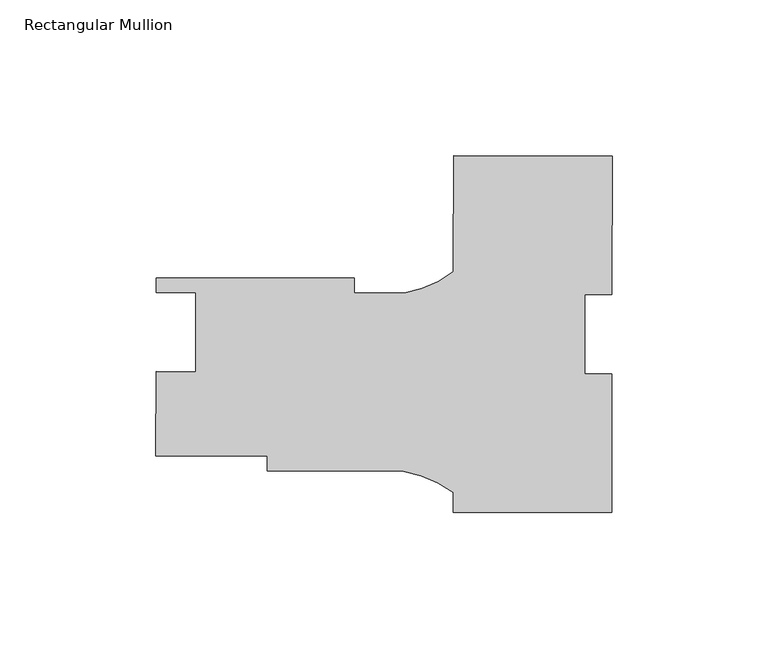
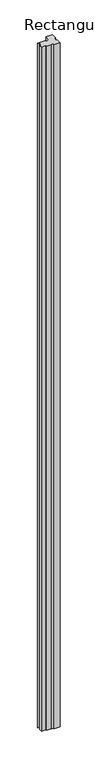
"""IFC4 building model written with IfcOpenShell, lengths in millimetres: member geometry, Rectangular Mullion."""

from ifc_helpers import new_model, si_unit, point, frame, frame_2d, origin, place, context, project, spatial, polyline, circle_curve, trimmed, segment, composite_curve, outline, extrude, source, transform, mapped, element, save


def rectangular_mullion_bed05902(model_context):
    return source(origin(), model_context, "Body", "SweptSolid", [
        extrude(outline(composite_curve([segment(polyline([(25.3488877, 13.454362), (16.6176435, 13.4643987), (16.5884461, -11.9355846), (25.3196903, -11.9456212), (25.2685949, -56.3955918), (-25.5313716, -56.337197), (-25.5241357, -50.0424067)]), True, "CONTINUOUS"), segment(trimmed(circle_curve(frame_2d((-47.7423826, -79.5609233)), 36.945816), [point((-25.5241357, -50.0424067))], [point((-41.3335383, -43.1752113))], True, "CARTESIAN"), True, "CONTINUOUS"), segment(polyline([(-41.3335383, -43.1752113), (-85.166275, -43.1248254), (-85.1608005, -38.3623285), (-120.7607253, -38.3214062), (-120.72963, -11.2704241), (-108.0296384, -11.2850228), (-108.000441, 14.1149604), (-120.7004326, 14.1295591), (-120.6950311, 18.828556), (-57.195073, 18.7555625), (-57.2005475, 13.9930656), (-41.2692947, 13.9747526)]), True, "CONTINUOUS"), segment(trimmed(circle_curve(frame_2d((-47.5930202, 50.3753545)), 36.945816), [point((-41.2692947, 13.9747526))], [point((-25.4426953, 20.8058359))], True, "CARTESIAN"), True, "CONTINUOUS"), segment(polyline([(-25.4426953, 20.8058359), (-25.3999832, 57.9627275), (25.3999832, 57.9043327), (25.3488877, 13.454362)]), True, "CONTINUOUS")], self_intersect=False)), frame((0.0, 0.0, -6000.75), z_axis=(0.0, 0.0, 1.0), x_axis=(1.0, 0.0, 0.0)), (0.0, 0.0, 1.0), 6000.75),
    ])


if __name__ == "__main__":
    model = new_model("IFC4")
    model_context = context("Model", 3, world=origin())
    ifc_project = project(units=[si_unit("LENGTHUNIT", "METRE", prefix="MILLI")], contexts=[model_context])
    site = spatial("IfcSite", under=ifc_project)
    building = spatial("IfcBuilding", under=site)
    placement = place(None, origin())
    rectangular_mullion_shape = rectangular_mullion_bed05902(model_context)
    element("IfcMember", 1, ObjectType="Rectangular Mullion", at=placement, inside=building, context=model_context, shape_type="MappedRepresentation", body=[
        mapped(rectangular_mullion_shape, transform((0.0, 0.0, 0.0), x_axis=(1.0, 0.0, 0.0), y_axis=(0.0, 1.0, 0.0), z_axis=(0.0, 0.0, 1.0))),
    ])
    save(model, "model.ifc")
